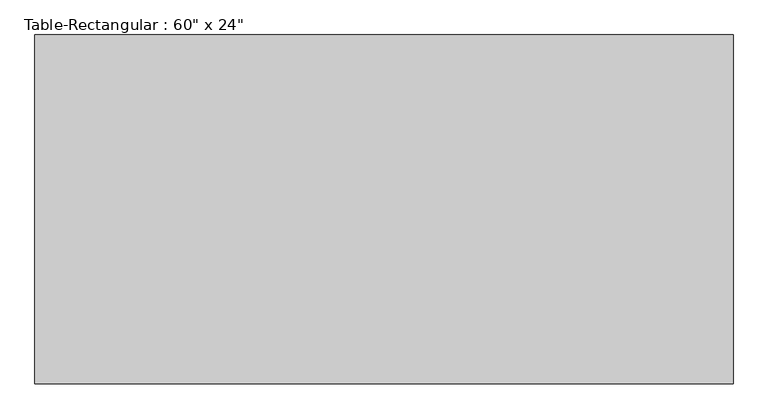
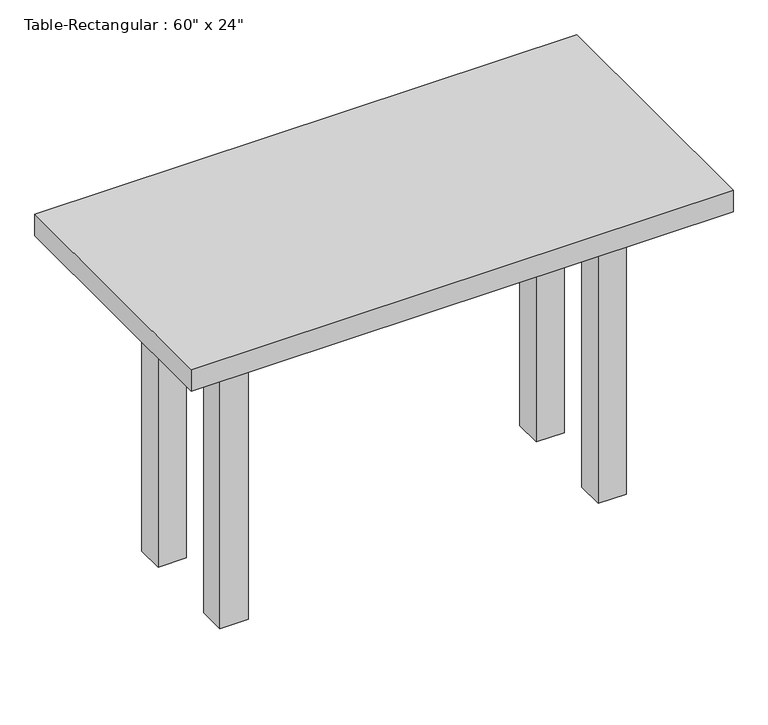
"""IFC4 building model written with IfcOpenShell, lengths in millimetres: furniture geometry."""

from ifc_helpers import new_model, si_unit, frame, origin, origin_with_axes, place, context, project, spatial, polyline, outline, extrude, source, transform, mapped, element, save


def furniture_51091a24(model_context):
    return source(origin(), model_context, "Body", "SweptSolid", [
        extrude(outline(polyline([(393.7, 114.3), (393.7, 88.9), (-393.7, 88.9), (-393.7, 114.3), (393.7, 114.3)])), frame((0.0, 0.0, 609.6), z_axis=(0.0, 0.0, 1.0), x_axis=(1.0, 0.0, 0.0)), (0.0, 0.0, 1.0), 101.6),
        extrude(outline(polyline([(393.7, -114.3), (-393.7, -114.3), (-393.7, -88.9), (393.7, -88.9), (393.7, -114.3)])), frame((0.0, 0.0, 609.6), z_axis=(0.0, 0.0, 1.0), x_axis=(1.0, 0.0, 0.0)), (0.0, 0.0, 1.0), 101.6),
        extrude(outline(polyline([(-406.4, -88.9), (-431.8, -88.9), (-431.8, 88.9), (-406.4, 88.9), (-406.4, -88.9)])), frame((0.0, 0.0, 609.6), z_axis=(0.0, 0.0, 1.0), x_axis=(1.0, 0.0, 0.0)), (0.0, 0.0, 1.0), 101.6),
        extrude(outline(polyline([(406.4, -88.9), (406.4, 88.9), (431.8, 88.9), (431.8, -88.9), (406.4, -88.9)])), frame((0.0, 0.0, 609.6), z_axis=(0.0, 0.0, 1.0), x_axis=(1.0, 0.0, 0.0)), (0.0, 0.0, 1.0), 101.6),
        extrude(outline(polyline([(609.6, 304.8), (609.6, -304.8), (-609.6, -304.8), (-609.6, 304.8), (609.6, 304.8)])), frame((0.0, 0.0, 711.2), z_axis=(0.0, 0.0, 1.0), x_axis=(1.0, 0.0, 0.0)), (0.0, 0.0, 1.0), 50.8),
        extrude(outline(polyline([(-393.7, 152.4), (-393.7, 88.9), (-457.2, 88.9), (-457.2, 152.4), (-393.7, 152.4)])), origin_with_axes(), (0.0, 0.0, 1.0), 711.2),
        extrude(outline(polyline([(393.7, 152.4), (457.2, 152.4), (457.2, 88.9), (393.7, 88.9), (393.7, 152.4)])), origin_with_axes(), (0.0, 0.0, 1.0), 711.2),
        extrude(outline(polyline([(-393.7, -152.4), (-457.2, -152.4), (-457.2, -88.9), (-393.7, -88.9), (-393.7, -152.4)])), origin_with_axes(), (0.0, 0.0, 1.0), 711.2),
        extrude(outline(polyline([(393.7, -152.4), (393.7, -88.9), (457.2, -88.9), (457.2, -152.4), (393.7, -152.4)])), origin_with_axes(), (0.0, 0.0, 1.0), 711.2),
    ])


if __name__ == "__main__":
    model = new_model("IFC4")
    model_context = context("Model", 3, world=origin())
    ifc_project = project(units=[si_unit("LENGTHUNIT", "METRE", prefix="MILLI")], contexts=[model_context])
    site = spatial("IfcSite", under=ifc_project)
    building = spatial("IfcBuilding", under=site)
    placement = place(None, origin())
    furniture_shape = furniture_51091a24(model_context)
    element("IfcFurniture", 1, ObjectType="Table-Rectangular : 60\" x 24\"", at=placement, inside=building, context=model_context, shape_type="MappedRepresentation", body=[
        mapped(furniture_shape, transform((0.0, 0.0, 0.0), x_axis=(1.0, 0.0, 0.0), y_axis=(0.0, 1.0, 0.0), z_axis=(0.0, 0.0, 1.0))),
    ])
    save(model, "model.ifc")
